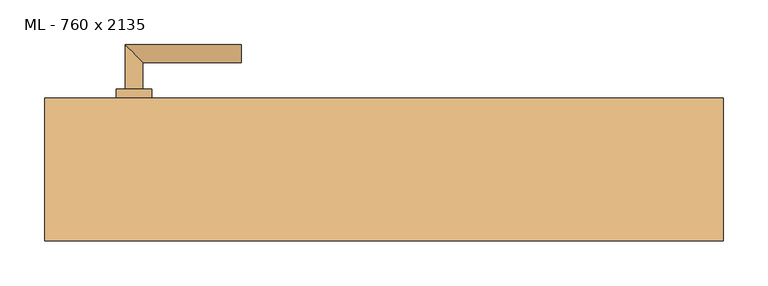
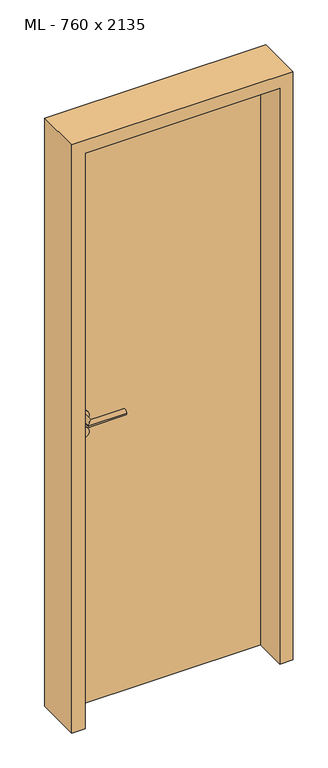
"""IFC4 building model written with IfcOpenShell, lengths in millimetres: door geometry, ML - 760 x 2135."""

from ifc_helpers import new_model, si_unit, point, frame, frame_2d, origin, origin_with_axes, place, context, project, spatial, polyline, circle_curve, ellipse_curve, trimmed, segment, composite_curve, outline, extrude, faceted_brep, source, transform, mapped, element, save
from ifc_brep_helpers import plane_surface, cylinder_surface, advanced_brep


def ml_760_x_2135_21551360(model_context):
    return source(origin(), model_context, "Body", "SolidModel", [
        extrude(outline(polyline([(346.0, 80.0), (346.0, 35.0), (-346.0, 35.0), (-346.0, 80.0), (346.0, 80.0)])), origin_with_axes(), (0.0, 0.0, 1.0), 2101.0),
        advanced_brep(
        [(-270.0, 90.0, 1050.0), (-290.0, 90.0, 1050.0), (-270.0, 120.0, 1050.0), (-290.0, 140.0, 1050.0), (-160.0, 120.0, 1050.0), (-160.0, 140.0, 1050.0)],
        [
            (0, 1, circle_curve(frame((-280.0, 90.0, 1050.0), z_axis=(0.0, -1.0, 0.0), x_axis=(-1.0, 0.0, 0.0)), 10.0)),
            (1, 0, circle_curve(frame((-280.0, 90.0, 1050.0), z_axis=(0.0, -1.0, 0.0), x_axis=(-1.0, 0.0, 0.0)), 10.0)),
            (0, 2),
            (2, 3, ellipse_curve(frame((-280.0, 130.0, 1050.0), z_axis=(-0.7071067811865531, -0.7071067811865419, 0.0), x_axis=(0.707106781186542, -0.707106781186553, 0.0)), 14.1421356, 10.0)),
            (3, 1),
            (3, 2, ellipse_curve(frame((-280.0, 130.0, 1050.0), z_axis=(-0.7071067811865531, -0.7071067811865419, 0.0), x_axis=(0.707106781186542, -0.707106781186553, 0.0)), 14.1421356, 10.0)),
            (4, 5, circle_curve(frame((-160.0, 130.0, 1050.0), z_axis=(1.0, 0.0, 0.0), x_axis=(0.0, 1.0, 0.0)), 10.0)),
            (5, 4, circle_curve(frame((-160.0, 130.0, 1050.0), z_axis=(1.0, 0.0, 0.0), x_axis=(0.0, 1.0, 0.0)), 10.0)),
            (2, 4),
            (5, 3),
        ],
        [
            plane_surface(frame((-280.0, 90.0, 1050.0), z_axis=(0.0, -1.0, 0.0), x_axis=(0.0, 0.0, 1.0))),
            cylinder_surface(frame((-280.0, 90.0, 1050.0), z_axis=(0.0, -1.0, 0.0), x_axis=(-1.0, 0.0, 0.0)), 10.0),
            plane_surface(frame((-160.0, 130.0, 1050.0), z_axis=(1.0, 0.0, 0.0), x_axis=(0.0, 0.0, 1.0))),
            cylinder_surface(frame((-280.0, 130.0, 1050.0), z_axis=(-1.0, 0.0, 0.0), x_axis=(0.0, 1.0, 0.0)), 10.0),
        ],
        [
            (0, [[1, 2]]),
            (1, [[-1, 3, 4, 5]]),
            (1, [[-2, -5, 6, -3]]),
            (2, [[7, 8]]),
            (3, [[-4, 9, -8, 10]]),
            (3, [[-6, -10, -7, -9]]),
        ],
    ),
        extrude(outline(composite_curve([segment(trimmed(circle_curve(frame_2d((990.0, -280.0)), 20.0), [point((990.0, -300.0))], [point((990.0, -260.0))], False, "CARTESIAN"), True, "CONTINUOUS"), segment(trimmed(circle_curve(frame_2d((990.0, -280.0)), 20.0), [point((990.0, -260.0))], [point((990.0, -300.0))], False, "CARTESIAN"), True, "CONTINUOUS")], self_intersect=False), holes=[composite_curve([segment(polyline([(976.4601385, -282.397268), (988.4749012, -282.397268)]), True, "CONTINUOUS"), segment(trimmed(circle_curve(frame_2d((995.0361633, -280.0)), 6.9854888), [point((988.4749012, -282.397268))], [point((988.4749012, -277.602732))], True, "CARTESIAN"), True, "CONTINUOUS"), segment(polyline([(988.4749012, -277.602732), (976.4601385, -277.602732)]), True, "CONTINUOUS"), segment(trimmed(circle_curve(frame_2d((976.4601385, -280.0)), 2.397268), [point((976.4601385, -277.602732))], [point((976.4601385, -282.397268))], True, "CARTESIAN"), True, "CONTINUOUS")], self_intersect=False)]), frame((0.0, 80.0, 0.0), z_axis=(0.0, 1.0, 0.0), x_axis=(0.0, 0.0, 1.0)), (0.0, 0.0, 1.0), 10.0),
        advanced_brep(
        [(-270.0, 90.0, 1050.0), (-290.0, 90.0, 1050.0), (-270.0, 120.0, 1050.0), (-290.0, 140.0, 1050.0), (-160.0, 120.0, 1050.0), (-160.0, 140.0, 1050.0)],
        [
            (0, 1, circle_curve(frame((-280.0, 90.0, 1050.0), z_axis=(0.0, -1.0, 0.0), x_axis=(-1.0, 0.0, 0.0)), 10.0)),
            (1, 0, circle_curve(frame((-280.0, 90.0, 1050.0), z_axis=(0.0, -1.0, 0.0), x_axis=(-1.0, 0.0, 0.0)), 10.0)),
            (0, 2),
            (2, 3, ellipse_curve(frame((-280.0, 130.0, 1050.0), z_axis=(-0.7071067811865537, -0.7071067811865414, 0.0), x_axis=(0.7071067811865414, -0.7071067811865536, 0.0)), 14.1421356, 10.0)),
            (3, 1),
            (3, 2, ellipse_curve(frame((-280.0, 130.0, 1050.0), z_axis=(-0.7071067811865537, -0.7071067811865414, 0.0), x_axis=(0.7071067811865414, -0.7071067811865536, 0.0)), 14.1421356, 10.0)),
            (4, 5, circle_curve(frame((-160.0, 130.0, 1050.0), z_axis=(1.0, 0.0, 0.0), x_axis=(0.0, 1.0, 0.0)), 10.0)),
            (5, 4, circle_curve(frame((-160.0, 130.0, 1050.0), z_axis=(1.0, 0.0, 0.0), x_axis=(0.0, 1.0, 0.0)), 10.0)),
            (2, 4),
            (5, 3),
        ],
        [
            plane_surface(frame((-280.0, 90.0, 1050.0), z_axis=(0.0, -1.0, 0.0), x_axis=(0.0, 0.0, 1.0))),
            cylinder_surface(frame((-280.0, 90.0, 1050.0), z_axis=(0.0, -1.0, 0.0), x_axis=(-1.0, 0.0, 0.0)), 10.0),
            plane_surface(frame((-160.0, 130.0, 1050.0), z_axis=(1.0, 0.0, 0.0), x_axis=(0.0, 0.0, 1.0))),
            cylinder_surface(frame((-280.0, 130.0, 1050.0), z_axis=(-1.0, 0.0, 0.0), x_axis=(0.0, 1.0, 0.0)), 10.0),
        ],
        [
            (0, [[1, 2]]),
            (1, [[-1, 3, 4, 5]]),
            (1, [[-2, -5, 6, -3]]),
            (2, [[7, 8]]),
            (3, [[-4, 9, -8, 10]]),
            (3, [[-6, -10, -7, -9]]),
        ],
    ),
        extrude(outline(composite_curve([segment(trimmed(circle_curve(frame_2d((1050.0, -280.0)), 20.0), [point((1050.0, -300.0))], [point((1050.0, -260.0))], False, "CARTESIAN"), True, "CONTINUOUS"), segment(trimmed(circle_curve(frame_2d((1050.0, -280.0)), 20.0), [point((1050.0, -260.0))], [point((1050.0, -300.0))], False, "CARTESIAN"), True, "CONTINUOUS")], self_intersect=False)), frame((0.0, 80.0, 0.0), z_axis=(0.0, 1.0, 0.0), x_axis=(0.0, 0.0, 1.0)), (0.0, 0.0, 1.0), 10.0),
        advanced_brep(
        [(-270.0, 25.0, 1050.0), (-290.0, 25.0, 1050.0), (-290.0, -25.0, 1050.0), (-270.0, -5.0, 1050.0), (-160.0, -5.0, 1050.0), (-160.0, -25.0, 1050.0)],
        [
            (0, 1, circle_curve(frame((-280.0, 25.0, 1050.0), z_axis=(0.0, 1.0, 0.0), x_axis=(-1.0, 0.0, 0.0)), 10.0)),
            (1, 0, circle_curve(frame((-280.0, 25.0, 1050.0), z_axis=(0.0, 1.0, 0.0), x_axis=(-1.0, 0.0, 0.0)), 10.0)),
            (1, 2),
            (2, 3, ellipse_curve(frame((-280.0, -15.0, 1050.0), z_axis=(-0.7071067811865486, 0.7071067811865464, 0.0), x_axis=(0.7071067811865464, 0.7071067811865488, 0.0)), 14.1421356, 10.0)),
            (3, 0),
            (3, 2, ellipse_curve(frame((-280.0, -15.0, 1050.0), z_axis=(-0.7071067811865486, 0.7071067811865464, 0.0), x_axis=(0.7071067811865464, 0.7071067811865488, 0.0)), 14.1421356, 10.0)),
            (4, 5, circle_curve(frame((-160.0, -15.0, 1050.0), z_axis=(1.0, 0.0, 0.0), x_axis=(0.0, -1.0, 0.0)), 10.0)),
            (5, 4, circle_curve(frame((-160.0, -15.0, 1050.0), z_axis=(1.0, 0.0, 0.0), x_axis=(0.0, -1.0, 0.0)), 10.0)),
            (2, 5),
            (4, 3),
        ],
        [
            plane_surface(frame((-280.0, 25.0, 1050.0), z_axis=(0.0, 1.0, 0.0), x_axis=(0.0, 0.0, 1.0))),
            cylinder_surface(frame((-280.0, 25.0, 1050.0), z_axis=(0.0, 1.0, 0.0), x_axis=(-1.0, 0.0, 0.0)), 10.0),
            plane_surface(frame((-160.0, -15.0, 1050.0), z_axis=(1.0, 0.0, 0.0), x_axis=(0.0, 0.0, 1.0))),
            cylinder_surface(frame((-280.0, -15.0, 1050.0), z_axis=(-1.0, 0.0, 0.0), x_axis=(0.0, -1.0, 0.0)), 10.0),
        ],
        [
            (0, [[1, 2]]),
            (1, [[3, 4, 5, -2]]),
            (1, [[-5, 6, -3, -1]]),
            (2, [[7, 8]]),
            (3, [[9, -7, 10, -4]]),
            (3, [[-10, -8, -9, -6]]),
        ],
    ),
        extrude(outline(composite_curve([segment(trimmed(circle_curve(frame_2d((990.0, -280.0)), 20.0), [point((990.0, -300.0))], [point((990.0, -260.0))], False, "CARTESIAN"), True, "CONTINUOUS"), segment(trimmed(circle_curve(frame_2d((990.0, -280.0)), 20.0), [point((990.0, -260.0))], [point((990.0, -300.0))], False, "CARTESIAN"), True, "CONTINUOUS")], self_intersect=False), holes=[composite_curve([segment(polyline([(976.4601385, -282.397268), (988.4749012, -282.397268)]), True, "CONTINUOUS"), segment(trimmed(circle_curve(frame_2d((995.0361633, -280.0)), 6.9854888), [point((988.4749012, -282.397268))], [point((988.4749012, -277.602732))], True, "CARTESIAN"), True, "CONTINUOUS"), segment(polyline([(988.4749012, -277.602732), (976.4601385, -277.602732)]), True, "CONTINUOUS"), segment(trimmed(circle_curve(frame_2d((976.4601385, -280.0)), 2.397268), [point((976.4601385, -277.602732))], [point((976.4601385, -282.397268))], True, "CARTESIAN"), True, "CONTINUOUS")], self_intersect=False)]), frame((0.0, 25.0, 0.0), z_axis=(0.0, 1.0, 0.0), x_axis=(0.0, 0.0, 1.0)), (0.0, 0.0, 1.0), 10.0),
        advanced_brep(
        [(-270.0, 25.0, 1050.0), (-290.0, 25.0, 1050.0), (-290.0, -25.0, 1050.0), (-270.0, -5.0, 1050.0), (-160.0, -5.0, 1050.0), (-160.0, -25.0, 1050.0)],
        [
            (0, 1, circle_curve(frame((-280.0, 25.0, 1050.0), z_axis=(0.0, 1.0, 0.0), x_axis=(-1.0, 0.0, 0.0)), 10.0)),
            (1, 0, circle_curve(frame((-280.0, 25.0, 1050.0), z_axis=(0.0, 1.0, 0.0), x_axis=(-1.0, 0.0, 0.0)), 10.0)),
            (1, 2),
            (2, 3, ellipse_curve(frame((-280.0, -15.0, 1050.0), z_axis=(-0.7071067811865491, 0.7071067811865459, 0.0), x_axis=(0.7071067811865458, 0.7071067811865492, 0.0)), 14.1421356, 10.0)),
            (3, 0),
            (3, 2, ellipse_curve(frame((-280.0, -15.0, 1050.0), z_axis=(-0.7071067811865491, 0.7071067811865459, 0.0), x_axis=(0.7071067811865458, 0.7071067811865492, 0.0)), 14.1421356, 10.0)),
            (4, 5, circle_curve(frame((-160.0, -15.0, 1050.0), z_axis=(1.0, 0.0, 0.0), x_axis=(0.0, -1.0, 0.0)), 10.0)),
            (5, 4, circle_curve(frame((-160.0, -15.0, 1050.0), z_axis=(1.0, 0.0, 0.0), x_axis=(0.0, -1.0, 0.0)), 10.0)),
            (2, 5),
            (4, 3),
        ],
        [
            plane_surface(frame((-280.0, 25.0, 1050.0), z_axis=(0.0, 1.0, 0.0), x_axis=(0.0, 0.0, 1.0))),
            cylinder_surface(frame((-280.0, 25.0, 1050.0), z_axis=(0.0, 1.0, 0.0), x_axis=(-1.0, 0.0, 0.0)), 10.0),
            plane_surface(frame((-160.0, -15.0, 1050.0), z_axis=(1.0, 0.0, 0.0), x_axis=(0.0, 0.0, 1.0))),
            cylinder_surface(frame((-280.0, -15.0, 1050.0), z_axis=(-1.0, 0.0, 0.0), x_axis=(0.0, -1.0, 0.0)), 10.0),
        ],
        [
            (0, [[1, 2]]),
            (1, [[3, 4, 5, -2]]),
            (1, [[-5, 6, -3, -1]]),
            (2, [[7, 8]]),
            (3, [[9, -7, 10, -4]]),
            (3, [[-10, -8, -9, -6]]),
        ],
    ),
        extrude(outline(composite_curve([segment(trimmed(circle_curve(frame_2d((1050.0, -280.0)), 20.0), [point((1050.0, -300.0))], [point((1050.0, -260.0))], False, "CARTESIAN"), True, "CONTINUOUS"), segment(trimmed(circle_curve(frame_2d((1050.0, -280.0)), 20.0), [point((1050.0, -260.0))], [point((1050.0, -300.0))], False, "CARTESIAN"), True, "CONTINUOUS")], self_intersect=False)), frame((0.0, 25.0, 0.0), z_axis=(0.0, 1.0, 0.0), x_axis=(0.0, 0.0, 1.0)), (0.0, 0.0, 1.0), 10.0),
        faceted_brep([(-350.0, 80.0, 0.0), (-350.0, 35.0, 0.0), (-335.0, 35.0, 0.0), (-335.0, -80.0, 0.0), (-380.0, -80.0, 0.0), (-380.0, 80.0, 0.0), (-350.0, 80.0, 2105.0), (-350.0, 35.0, 2105.0), (350.0, 35.0, 2105.0), (350.0, 35.0, 0.0), (335.0, 35.0, 0.0), (335.0, 35.0, 2090.0), (-335.0, 35.0, 2090.0), (-335.0, -80.0, 2090.0), (335.0, -80.0, 2090.0), (335.0, -80.0, 0.0), (380.0, -80.0, 0.0), (380.0, -80.0, 2135.0), (-380.0, -80.0, 2135.0), (-380.0, 80.0, 2135.0), (380.0, 80.0, 2135.0), (380.0, 80.0, 0.0), (350.0, 80.0, 0.0), (350.0, 80.0, 2105.0)], [[[0, 1, 2, 3, 4, 5]], [[1, 0, 6, 7]], [[2, 1, 7, 8, 9, 10, 11, 12]], [[3, 2, 12, 13]], [[4, 3, 13, 14, 15, 16, 17, 18]], [[5, 4, 18, 19]], [[0, 5, 19, 20, 21, 22, 23, 6]], [[20, 17, 16, 21]], [[22, 21, 16, 15, 10, 9]], [[8, 23, 22, 9]], [[14, 11, 10, 15]], [[19, 18, 17, 20]], [[13, 12, 11, 14]], [[7, 6, 23, 8]]]),
    ])


if __name__ == "__main__":
    model = new_model("IFC4")
    model_context = context("Model", 3, world=origin())
    ifc_project = project(units=[si_unit("LENGTHUNIT", "METRE", prefix="MILLI")], contexts=[model_context])
    site = spatial("IfcSite", under=ifc_project)
    building = spatial("IfcBuilding", under=site)
    placement = place(None, origin())
    ml_760_x_2135_shape = ml_760_x_2135_21551360(model_context)
    element("IfcDoor", 1, ObjectType="ML - 760 x 2135", at=placement, inside=building, context=model_context, shape_type="MappedRepresentation", body=[
        mapped(ml_760_x_2135_shape, transform((0.0, 0.0, 0.0), x_axis=(1.0, 0.0, 0.0), y_axis=(0.0, 1.0, 0.0), z_axis=(0.0, 0.0, 1.0))),
    ])
    save(model, "model.ifc")
